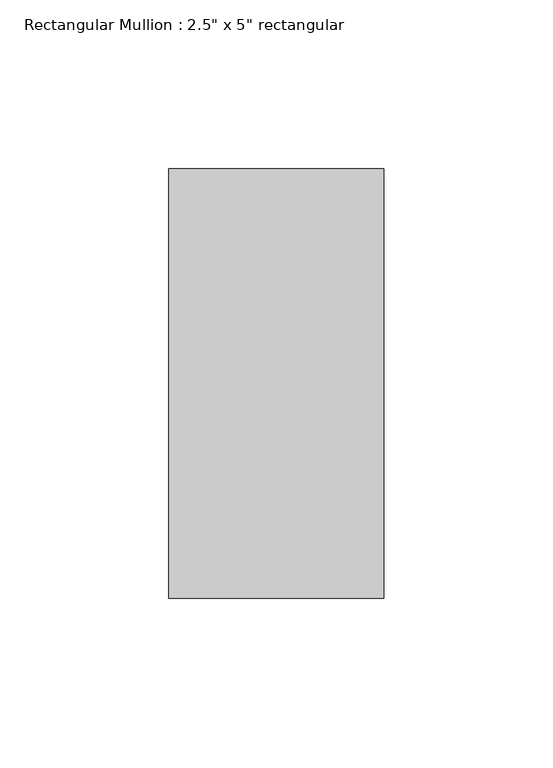
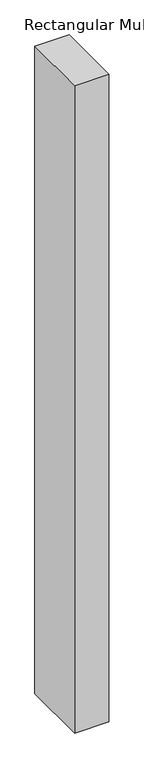
"""IFC4 building model written with IfcOpenShell, lengths in millimetres: member geometry."""

from ifc_helpers import new_model, si_unit, frame, origin, place, context, project, spatial, polyline, outline, extrude, source, transform, mapped, element, save


def member_ca377715(model_context):
    return source(origin(), model_context, "Body", "SweptSolid", [
        extrude(outline(polyline([(0.0, 63.5), (0.0, -63.5), (-63.5, -63.5), (-63.5, 63.5), (0.0, 63.5)])), frame((0.0, 0.0, -1266.3914157), z_axis=(0.0, 0.0, 1.0), x_axis=(1.0, 0.0, 0.0)), (0.0, 0.0, 1.0), 1266.3914157),
    ])


if __name__ == "__main__":
    model = new_model("IFC4")
    model_context = context("Model", 3, world=origin())
    ifc_project = project(units=[si_unit("LENGTHUNIT", "METRE", prefix="MILLI")], contexts=[model_context])
    site = spatial("IfcSite", under=ifc_project)
    building = spatial("IfcBuilding", under=site)
    placement = place(None, origin())
    member_shape = member_ca377715(model_context)
    element("IfcMember", 1, ObjectType="Rectangular Mullion : 2.5\" x 5\" rectangular", at=placement, inside=building, context=model_context, shape_type="MappedRepresentation", body=[
        mapped(member_shape, transform((0.0, 0.0, 0.0), x_axis=(1.0, 0.0, 0.0), y_axis=(0.0, 1.0, 0.0), z_axis=(0.0, 0.0, 1.0))),
    ])
    save(model, "model.ifc")
